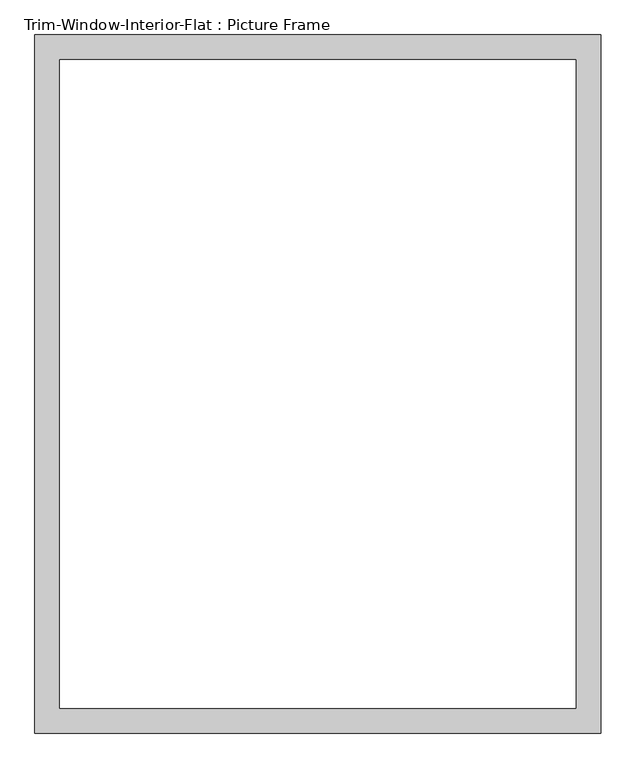
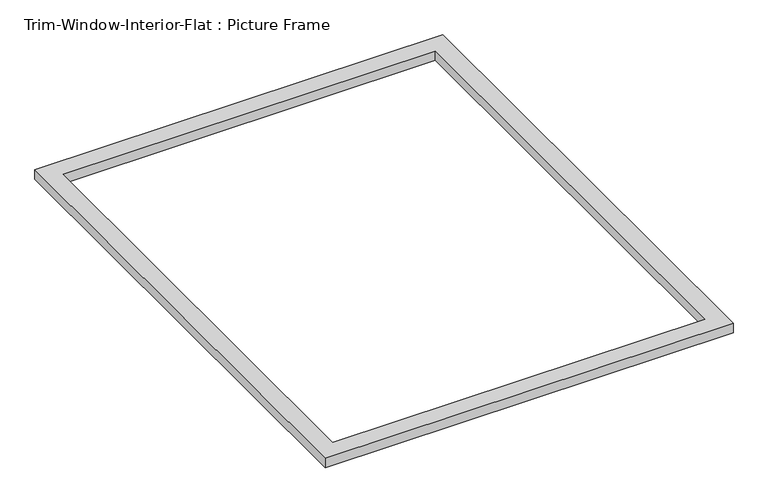
"""IFC4 building model written with IfcOpenShell, lengths in millimetres: proxy geometry, Trim-Window-Interior-Flat : Picture Frame."""

from ifc_helpers import new_model, si_unit, origin, origin_with_axes, place, context, project, spatial, polyline, outline, extrude, source, transform, mapped, element, save


def trim_window_interior_flat_picture_frame_3bb882cf(model_context):
    return source(origin(), model_context, "Body", "SweptSolid", [
        extrude(outline(polyline([(654.05, 44.45), (654.05, -1568.45), (-654.05, -1568.45), (-654.05, 44.45), (654.05, 44.45)]), holes=[polyline([(596.9, -12.7), (-596.9, -12.7), (-596.9, -1511.3), (596.9, -1511.3), (596.9, -12.7)])]), origin_with_axes(), (0.0, 0.0, 1.0), 31.75),
    ])


if __name__ == "__main__":
    model = new_model("IFC4")
    model_context = context("Model", 3, world=origin())
    ifc_project = project(units=[si_unit("LENGTHUNIT", "METRE", prefix="MILLI")], contexts=[model_context])
    site = spatial("IfcSite", under=ifc_project)
    building = spatial("IfcBuilding", under=site)
    placement = place(None, origin())
    trim_window_interior_flat_picture_frame_shape = trim_window_interior_flat_picture_frame_3bb882cf(model_context)
    element("IfcBuildingElementProxy", 1, Name="Trim-Window-Interior-Flat : Picture Frame", ObjectType="Trim-Window-Interior-Flat : Picture Frame", at=placement, inside=building, context=model_context, shape_type="MappedRepresentation", body=[
        mapped(trim_window_interior_flat_picture_frame_shape, transform((0.0, 0.0, 0.0), x_axis=(1.0, 0.0, 0.0), y_axis=(0.0, 1.0, 0.0), z_axis=(0.0, 0.0, 1.0))),
    ])
    save(model, "model.ifc")
